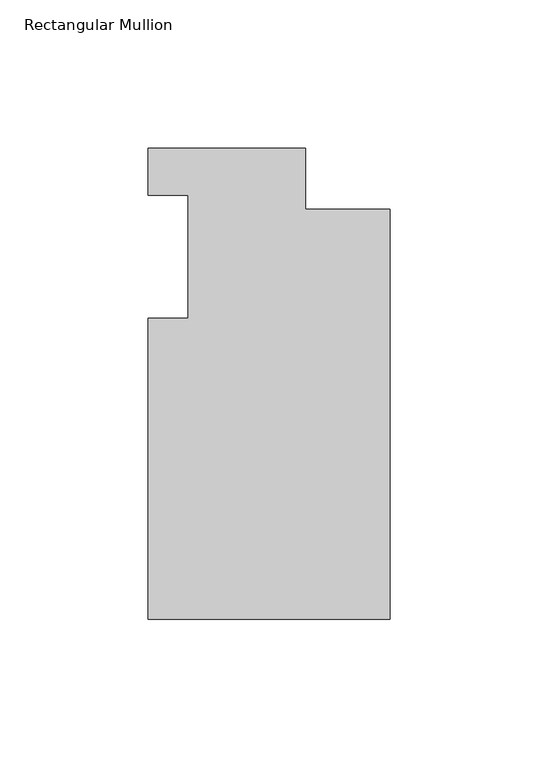
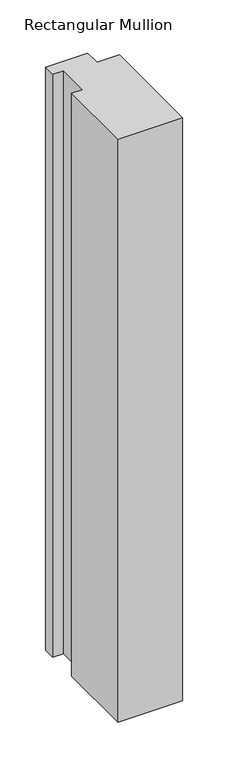
"""IFC4 building model written with IfcOpenShell, lengths in millimetres: member geometry, Rectangular Mullion."""

from ifc_helpers import new_model, si_unit, frame, origin, place, context, project, spatial, polyline, outline, extrude, source, transform, mapped, element, save


def rectangular_mullion_45fe62c2(model_context):
    return source(origin(), model_context, "Body", "SweptSolid", [
        extrude(outline(polyline([(-53.1622, -108.346875), (-53.1622, -6.746875), (-39.6621, -6.746875), (-39.6621, 34.883725), (-53.1622, 34.883725), (-53.1622, 50.758725), (0.0254, 50.758725), (0.0254, 30.1299562), (28.6004, 30.1299562), (28.6004, -108.346875), (-53.1622, -108.346875)])), frame((0.0, 0.0, -780.5989636), z_axis=(0.0, 0.0, 1.0), x_axis=(1.0, 0.0, 0.0)), (0.0, 0.0, 1.0), 780.5989636),
    ])


if __name__ == "__main__":
    model = new_model("IFC4")
    model_context = context("Model", 3, world=origin())
    ifc_project = project(units=[si_unit("LENGTHUNIT", "METRE", prefix="MILLI")], contexts=[model_context])
    site = spatial("IfcSite", under=ifc_project)
    building = spatial("IfcBuilding", under=site)
    placement = place(None, origin())
    rectangular_mullion_shape = rectangular_mullion_45fe62c2(model_context)
    element("IfcMember", 1, ObjectType="Rectangular Mullion", at=placement, inside=building, context=model_context, shape_type="MappedRepresentation", body=[
        mapped(rectangular_mullion_shape, transform((0.0, 0.0, 0.0), x_axis=(1.0, 0.0, 0.0), y_axis=(0.0, 1.0, 0.0), z_axis=(0.0, 0.0, 1.0))),
    ])
    save(model, "model.ifc")
